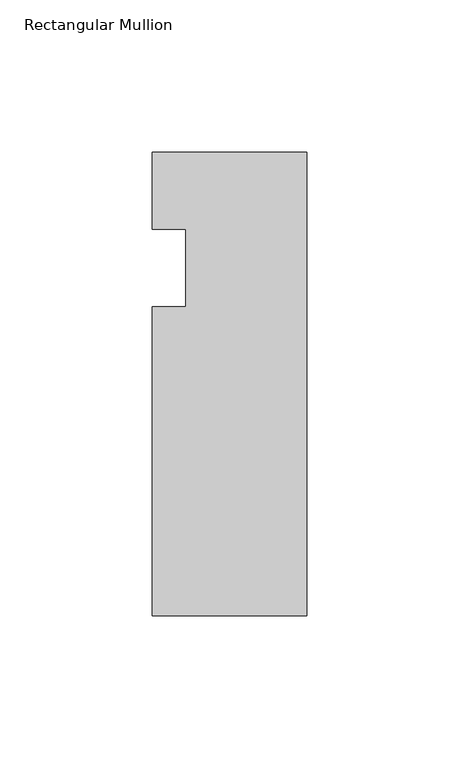
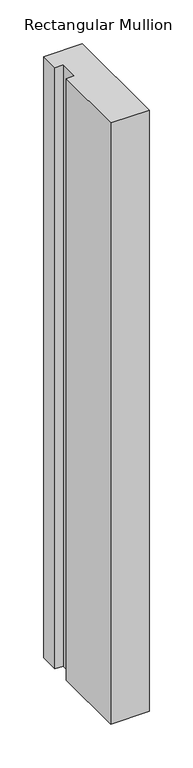
"""IFC4 building model written with IfcOpenShell, lengths in millimetres: member geometry, Rectangular Mullion."""

import ifcopenshell
import ifcopenshell.guid

model = None  # the IFC model being written
_history = None  # IfcOwnerHistory: only IFC2X3 demands one
_inside = {}  # id of a spatial element -> (the spatial element, [elements in it])
_under = {}  # id of a project, library or spatial element -> (it, [spatial elements below it])
_declared = {}  # id of a project -> (the project, [libraries it declares])
_typed = {}  # id of a type object -> (the type object, [elements of that type])
_made_of = {}  # id of a material, layer set ... -> (it, [elements and type objects made of it])


def new_model(schema):
    """Start an empty IFC model of exactly this schema.

    Asked for "IFC4X3", IfcOpenShell would pick the latest addendum, in which some entities
    have other attributes; the version numbers below select the first issue.
    IFC2X3 requires an IfcOwnerHistory on every rooted entity: one is made here for all.
    """
    global model, _history
    if schema == "IFC4X3":
        model = ifcopenshell.file(schema_version=(4, 3, 0, 0))
    else:
        model = ifcopenshell.file(schema=schema)
    _inside.clear()
    _under.clear()
    _declared.clear()
    _typed.clear()
    _made_of.clear()
    _history = None
    if model.schema == "IFC2X3":
        org = make("IfcOrganization", Name="unknown")
        user = make(
            "IfcPersonAndOrganization",
            ThePerson=make("IfcPerson", FamilyName="unknown"),
            TheOrganization=org,
        )
        app = make(
            "IfcApplication",
            ApplicationDeveloper=org,
            Version="unknown",
            ApplicationFullName="unknown",
            ApplicationIdentifier="unknown",
        )
        _history = make(
            "IfcOwnerHistory",
            OwningUser=user,
            OwningApplication=app,
            ChangeAction="ADDED",
            CreationDate=0,
        )
    return model


def make(cls, **values):
    """One entity of the class cls with the attributes given. An attribute that is None is left unset."""
    return model.create_entity(
        cls, **{name: value for name, value in values.items() if value is not None}
    )


def rooted(cls, **values):
    """An entity with a GlobalId (a new one), such as an element, a storey or a relation."""
    return make(cls, GlobalId=ifcopenshell.guid.new(), OwnerHistory=_history, **values)


def si_unit(unit_type, name, prefix=None):
    """IfcSIUnit, for example si_unit("LENGTHUNIT", "METRE", prefix="MILLI")."""
    return make("IfcSIUnit", UnitType=unit_type, Prefix=prefix, Name=name)


def assignment(units):
    """IfcUnitAssignment: the units of a project."""
    return None if units is None else make("IfcUnitAssignment", Units=units)


def point(xyz):
    """IfcCartesianPoint."""
    return None if xyz is None else make("IfcCartesianPoint", Coordinates=xyz)


def direction(xyz):
    """IfcDirection."""
    return None if xyz is None else make("IfcDirection", DirectionRatios=xyz)


def frame(location, z_axis=None, x_axis=None):
    """IfcAxis2Placement3D, a coordinate frame: its origin and axes. An axis left out is left unset."""
    return make(
        "IfcAxis2Placement3D",
        Location=point(location),
        Axis=direction(z_axis),
        RefDirection=direction(x_axis),
    )


def origin():
    """The frame at (0, 0, 0) with its axes left unset."""
    return frame((0.0, 0.0, 0.0))


def place(relative_to, where):
    """IfcLocalPlacement: puts the frame where relative to a parent placement (None: the world)."""
    return make(
        "IfcLocalPlacement", PlacementRelTo=relative_to, RelativePlacement=where
    )


def context(
    kind, dimensions, precision=None, world=None, true_north=None, identifier=None
):
    """IfcGeometricRepresentationContext, for example the 3D "Model" context."""
    return make(
        "IfcGeometricRepresentationContext",
        ContextIdentifier=identifier,
        ContextType=kind,
        CoordinateSpaceDimension=dimensions,
        Precision=precision,
        WorldCoordinateSystem=world,
        TrueNorth=true_north,
    )


def project(units=None, contexts=None):
    """IfcProject with its units and contexts."""
    return rooted(
        "IfcProject",
        Name="project",
        RepresentationContexts=contexts,
        UnitsInContext=assignment(units),
    )


def spatial(cls, under=None, at=None, **own):
    """A site, building, storey or space (cls), placed at a placement, below another one or the project."""
    s = rooted(cls, ObjectPlacement=at, **own)
    if under is not None:
        _under.setdefault(under.id(), (under, []))[1].append(s)
    return s


def polyline(points):
    """IfcPolyline through the points."""
    return make("IfcPolyline", Points=[point(p) for p in points])


def outline(outer, holes=None, kind="AREA"):
    """IfcArbitraryClosedProfileDef: a profile drawn as a closed curve; with holes, ...WithVoids."""
    if holes is None:
        return make("IfcArbitraryClosedProfileDef", ProfileType=kind, OuterCurve=outer)
    return make(
        "IfcArbitraryProfileDefWithVoids",
        ProfileType=kind,
        OuterCurve=outer,
        InnerCurves=holes,
    )


def extrude(swept, where, along, depth):
    """IfcExtrudedAreaSolid: the profile swept, set in the frame where, extruded along a direction by depth."""
    return make(
        "IfcExtrudedAreaSolid",
        SweptArea=swept,
        Position=where,
        ExtrudedDirection=direction(along),
        Depth=depth,
    )


def shape(context_of_items, identifier, shape_type, items):
    """IfcShapeRepresentation: the items that make up one representation, for example the "Body"."""
    return make(
        "IfcShapeRepresentation",
        ContextOfItems=context_of_items,
        RepresentationIdentifier=identifier,
        RepresentationType=shape_type,
        Items=items,
    )


def source(mapping_origin, context_of_items, identifier, shape_type, items):
    """IfcRepresentationMap: a shape defined once, which mapped items show again and again."""
    return make(
        "IfcRepresentationMap",
        MappingOrigin=mapping_origin,
        MappedRepresentation=shape(context_of_items, identifier, shape_type, items),
    )


def transform(
    local_origin,
    x_axis=None,
    y_axis=None,
    z_axis=None,
    scale=None,
    scale2=None,
    scale3=None,
    uniform=True,
):
    """IfcCartesianTransformationOperator3D, or its non-uniform kind. x_axis, y_axis, z_axis: its Axis1, 2, 3."""
    if uniform:
        return make(
            "IfcCartesianTransformationOperator3D",
            Axis1=direction(x_axis),
            Axis2=direction(y_axis),
            LocalOrigin=point(local_origin),
            Scale=scale,
            Axis3=direction(z_axis),
        )
    return make(
        "IfcCartesianTransformationOperator3DnonUniform",
        Axis1=direction(x_axis),
        Axis2=direction(y_axis),
        LocalOrigin=point(local_origin),
        Scale=scale,
        Axis3=direction(z_axis),
        Scale2=scale2,
        Scale3=scale3,
    )


def mapped(mapping_source, mapping_target):
    """IfcMappedItem: shows the shape of a source again, moved by a transform."""
    return make(
        "IfcMappedItem", MappingSource=mapping_source, MappingTarget=mapping_target
    )


def made_of(thing, what):
    """Note that an element or type object is made of a material, layer set ...; save() writes the relation."""
    if what is not None:
        _made_of.setdefault(what.id(), (what, []))[1].append(thing)
    return thing


def element(
    cls,
    number,
    at=None,
    inside=None,
    cuts=None,
    type_object=None,
    material=None,
    context=None,
    identifier="Body",
    shape_type=None,
    held_by="IfcProductDefinitionShape",
    body=None,
    shapes=None,
    **own,
):
    """One element of the class cls, such as IfcWall. Its Tag is "e" and its number.

    at: its placement. inside: the storey or other place that contains it. cuts: it is an
    opening in that element (IfcRelVoidsElement). A single representation is given by context,
    identifier, shape_type and body (its items); several are given by shapes. held_by: the class
    of the entity that holds the representations. save() writes the other relations.
    """
    e = rooted(cls, Tag="e%d" % number, ObjectPlacement=at, **own)
    if body is not None:
        shapes = [shape(context, identifier, shape_type, body)]
    if shapes is not None:
        e.Representation = make(held_by, Representations=shapes)
    if inside is not None:
        _inside.setdefault(inside.id(), (inside, []))[1].append(e)
    if cuts is not None:
        rooted(
            "IfcRelVoidsElement", RelatingBuildingElement=cuts, RelatedOpeningElement=e
        )
    if type_object is not None:
        _typed.setdefault(type_object.id(), (type_object, []))[1].append(e)
    return made_of(e, material)


def aggregate(whole, parts):
    """IfcRelAggregates: a whole, such as a stair, and the parts it consists of."""
    return rooted("IfcRelAggregates", RelatingObject=whole, RelatedObjects=parts)


def save(model, path):
    """Write the relations noted so far, then the file.

    IfcRelAggregates (storeys below a building ...), IfcRelContainedInSpatialStructure (elements
    in a storey), IfcRelDefinesByType, IfcRelAssociatesMaterial and IfcRelDeclares: one each for
    every whole, place, type object, material and project.
    """
    for whole, parts in _under.values():
        aggregate(whole, parts)
    for where, things in _inside.values():
        rooted(
            "IfcRelContainedInSpatialStructure",
            RelatedElements=things,
            RelatingStructure=where,
        )
    for kind, things in _typed.values():
        rooted("IfcRelDefinesByType", RelatedObjects=things, RelatingType=kind)
    for what, things in _made_of.values():
        rooted("IfcRelAssociatesMaterial", RelatedObjects=things, RelatingMaterial=what)
    for by, libraries in _declared.values():
        rooted("IfcRelDeclares", RelatingContext=by, RelatedDefinitions=libraries)
    model.write(path)


def rectangular_mullion_f59a430a(model_context):
    return source(origin(), model_context, "Body", "SweptSolid", [
        extrude(outline(polyline([(0.0, 0.0), (0.0, -152.4), (-50.8, -152.4), (-50.8, -50.8), (-39.798625, -50.8), (-39.798625, -25.4), (-50.8, -25.4), (-50.8, 0.0), (0.0, 0.0)])), frame((0.0, 0.0, -838.2001903), z_axis=(0.0, 0.0, 1.0), x_axis=(1.0, 0.0, 0.0)), (0.0, 0.0, 1.0), 838.2001903),
    ])


if __name__ == "__main__":
    model = new_model("IFC4")
    model_context = context("Model", 3, world=origin())
    ifc_project = project(units=[si_unit("LENGTHUNIT", "METRE", prefix="MILLI")], contexts=[model_context])
    site = spatial("IfcSite", under=ifc_project)
    building = spatial("IfcBuilding", under=site)
    placement = place(None, origin())
    rectangular_mullion_shape = rectangular_mullion_f59a430a(model_context)
    element("IfcMember", 1, ObjectType="Rectangular Mullion", at=placement, inside=building, context=model_context, shape_type="MappedRepresentation", body=[
        mapped(rectangular_mullion_shape, transform((0.0, 0.0, 0.0), x_axis=(1.0, 0.0, 0.0), y_axis=(0.0, 1.0, 0.0), z_axis=(0.0, 0.0, 1.0))),
    ])
    save(model, "model.ifc")
